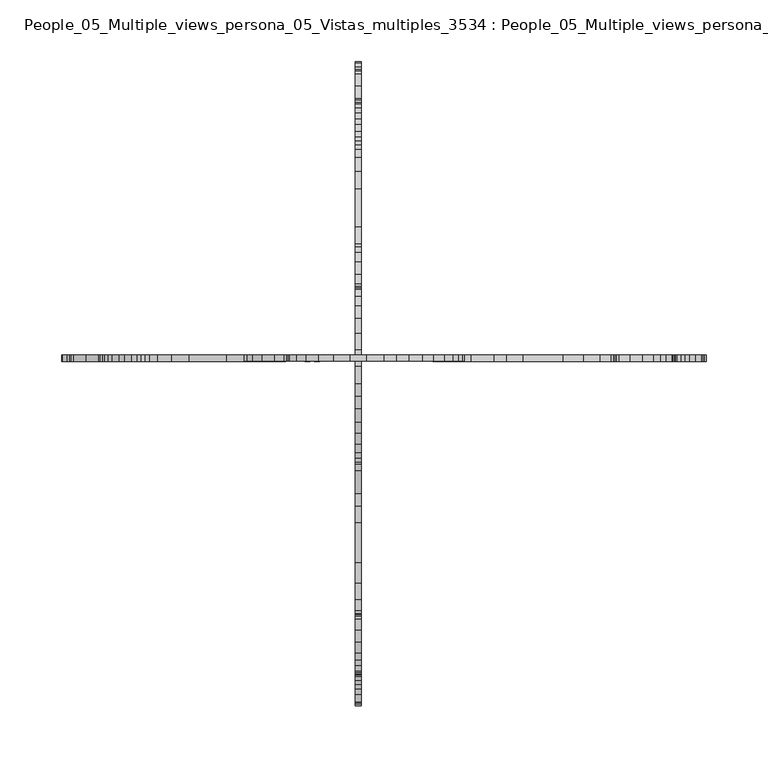
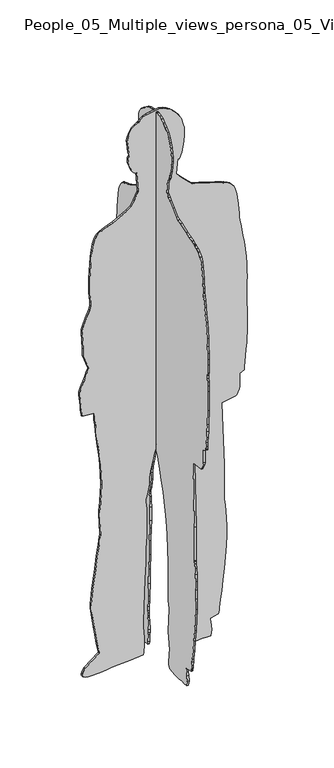
"""IFC4 building model written with IfcOpenShell, lengths in millimetres: proxy geometry, People_05_Multiple_views_persona_05_Vistas_multiples_3534 : People_05_Multiple_views_persona_05_Vistas_multiples_3534."""

import ifcopenshell
import ifcopenshell.guid

model = None  # the IFC model being written
_history = None  # IfcOwnerHistory: only IFC2X3 demands one
_inside = {}  # id of a spatial element -> (the spatial element, [elements in it])
_under = {}  # id of a project, library or spatial element -> (it, [spatial elements below it])
_declared = {}  # id of a project -> (the project, [libraries it declares])
_typed = {}  # id of a type object -> (the type object, [elements of that type])
_made_of = {}  # id of a material, layer set ... -> (it, [elements and type objects made of it])


def new_model(schema):
    """Start an empty IFC model of exactly this schema.

    Asked for "IFC4X3", IfcOpenShell would pick the latest addendum, in which some entities
    have other attributes; the version numbers below select the first issue.
    IFC2X3 requires an IfcOwnerHistory on every rooted entity: one is made here for all.
    """
    global model, _history
    if schema == "IFC4X3":
        model = ifcopenshell.file(schema_version=(4, 3, 0, 0))
    else:
        model = ifcopenshell.file(schema=schema)
    _inside.clear()
    _under.clear()
    _declared.clear()
    _typed.clear()
    _made_of.clear()
    _history = None
    if model.schema == "IFC2X3":
        org = make("IfcOrganization", Name="unknown")
        user = make(
            "IfcPersonAndOrganization",
            ThePerson=make("IfcPerson", FamilyName="unknown"),
            TheOrganization=org,
        )
        app = make(
            "IfcApplication",
            ApplicationDeveloper=org,
            Version="unknown",
            ApplicationFullName="unknown",
            ApplicationIdentifier="unknown",
        )
        _history = make(
            "IfcOwnerHistory",
            OwningUser=user,
            OwningApplication=app,
            ChangeAction="ADDED",
            CreationDate=0,
        )
    return model


def make(cls, **values):
    """One entity of the class cls with the attributes given. An attribute that is None is left unset."""
    return model.create_entity(
        cls, **{name: value for name, value in values.items() if value is not None}
    )


def rooted(cls, **values):
    """An entity with a GlobalId (a new one), such as an element, a storey or a relation."""
    return make(cls, GlobalId=ifcopenshell.guid.new(), OwnerHistory=_history, **values)


def si_unit(unit_type, name, prefix=None):
    """IfcSIUnit, for example si_unit("LENGTHUNIT", "METRE", prefix="MILLI")."""
    return make("IfcSIUnit", UnitType=unit_type, Prefix=prefix, Name=name)


def assignment(units):
    """IfcUnitAssignment: the units of a project."""
    return None if units is None else make("IfcUnitAssignment", Units=units)


def point(xyz):
    """IfcCartesianPoint."""
    return None if xyz is None else make("IfcCartesianPoint", Coordinates=xyz)


def direction(xyz):
    """IfcDirection."""
    return None if xyz is None else make("IfcDirection", DirectionRatios=xyz)


def frame(location, z_axis=None, x_axis=None):
    """IfcAxis2Placement3D, a coordinate frame: its origin and axes. An axis left out is left unset."""
    return make(
        "IfcAxis2Placement3D",
        Location=point(location),
        Axis=direction(z_axis),
        RefDirection=direction(x_axis),
    )


def origin():
    """The frame at (0, 0, 0) with its axes left unset."""
    return frame((0.0, 0.0, 0.0))


def place(relative_to, where):
    """IfcLocalPlacement: puts the frame where relative to a parent placement (None: the world)."""
    return make(
        "IfcLocalPlacement", PlacementRelTo=relative_to, RelativePlacement=where
    )


def context(
    kind, dimensions, precision=None, world=None, true_north=None, identifier=None
):
    """IfcGeometricRepresentationContext, for example the 3D "Model" context."""
    return make(
        "IfcGeometricRepresentationContext",
        ContextIdentifier=identifier,
        ContextType=kind,
        CoordinateSpaceDimension=dimensions,
        Precision=precision,
        WorldCoordinateSystem=world,
        TrueNorth=true_north,
    )


def project(units=None, contexts=None):
    """IfcProject with its units and contexts."""
    return rooted(
        "IfcProject",
        Name="project",
        RepresentationContexts=contexts,
        UnitsInContext=assignment(units),
    )


def spatial(cls, under=None, at=None, **own):
    """A site, building, storey or space (cls), placed at a placement, below another one or the project."""
    s = rooted(cls, ObjectPlacement=at, **own)
    if under is not None:
        _under.setdefault(under.id(), (under, []))[1].append(s)
    return s


def polyline(points):
    """IfcPolyline through the points."""
    return make("IfcPolyline", Points=[point(p) for p in points])


def outline(outer, holes=None, kind="AREA"):
    """IfcArbitraryClosedProfileDef: a profile drawn as a closed curve; with holes, ...WithVoids."""
    if holes is None:
        return make("IfcArbitraryClosedProfileDef", ProfileType=kind, OuterCurve=outer)
    return make(
        "IfcArbitraryProfileDefWithVoids",
        ProfileType=kind,
        OuterCurve=outer,
        InnerCurves=holes,
    )


def extrude(swept, where, along, depth):
    """IfcExtrudedAreaSolid: the profile swept, set in the frame where, extruded along a direction by depth."""
    return make(
        "IfcExtrudedAreaSolid",
        SweptArea=swept,
        Position=where,
        ExtrudedDirection=direction(along),
        Depth=depth,
    )


def shape(context_of_items, identifier, shape_type, items):
    """IfcShapeRepresentation: the items that make up one representation, for example the "Body"."""
    return make(
        "IfcShapeRepresentation",
        ContextOfItems=context_of_items,
        RepresentationIdentifier=identifier,
        RepresentationType=shape_type,
        Items=items,
    )


def source(mapping_origin, context_of_items, identifier, shape_type, items):
    """IfcRepresentationMap: a shape defined once, which mapped items show again and again."""
    return make(
        "IfcRepresentationMap",
        MappingOrigin=mapping_origin,
        MappedRepresentation=shape(context_of_items, identifier, shape_type, items),
    )


def transform(
    local_origin,
    x_axis=None,
    y_axis=None,
    z_axis=None,
    scale=None,
    scale2=None,
    scale3=None,
    uniform=True,
):
    """IfcCartesianTransformationOperator3D, or its non-uniform kind. x_axis, y_axis, z_axis: its Axis1, 2, 3."""
    if uniform:
        return make(
            "IfcCartesianTransformationOperator3D",
            Axis1=direction(x_axis),
            Axis2=direction(y_axis),
            LocalOrigin=point(local_origin),
            Scale=scale,
            Axis3=direction(z_axis),
        )
    return make(
        "IfcCartesianTransformationOperator3DnonUniform",
        Axis1=direction(x_axis),
        Axis2=direction(y_axis),
        LocalOrigin=point(local_origin),
        Scale=scale,
        Axis3=direction(z_axis),
        Scale2=scale2,
        Scale3=scale3,
    )


def mapped(mapping_source, mapping_target):
    """IfcMappedItem: shows the shape of a source again, moved by a transform."""
    return make(
        "IfcMappedItem", MappingSource=mapping_source, MappingTarget=mapping_target
    )


def made_of(thing, what):
    """Note that an element or type object is made of a material, layer set ...; save() writes the relation."""
    if what is not None:
        _made_of.setdefault(what.id(), (what, []))[1].append(thing)
    return thing


def element(
    cls,
    number,
    at=None,
    inside=None,
    cuts=None,
    type_object=None,
    material=None,
    context=None,
    identifier="Body",
    shape_type=None,
    held_by="IfcProductDefinitionShape",
    body=None,
    shapes=None,
    **own,
):
    """One element of the class cls, such as IfcWall. Its Tag is "e" and its number.

    at: its placement. inside: the storey or other place that contains it. cuts: it is an
    opening in that element (IfcRelVoidsElement). A single representation is given by context,
    identifier, shape_type and body (its items); several are given by shapes. held_by: the class
    of the entity that holds the representations. save() writes the other relations.
    """
    e = rooted(cls, Tag="e%d" % number, ObjectPlacement=at, **own)
    if body is not None:
        shapes = [shape(context, identifier, shape_type, body)]
    if shapes is not None:
        e.Representation = make(held_by, Representations=shapes)
    if inside is not None:
        _inside.setdefault(inside.id(), (inside, []))[1].append(e)
    if cuts is not None:
        rooted(
            "IfcRelVoidsElement", RelatingBuildingElement=cuts, RelatedOpeningElement=e
        )
    if type_object is not None:
        _typed.setdefault(type_object.id(), (type_object, []))[1].append(e)
    return made_of(e, material)


def aggregate(whole, parts):
    """IfcRelAggregates: a whole, such as a stair, and the parts it consists of."""
    return rooted("IfcRelAggregates", RelatingObject=whole, RelatedObjects=parts)


def save(model, path):
    """Write the relations noted so far, then the file.

    IfcRelAggregates (storeys below a building ...), IfcRelContainedInSpatialStructure (elements
    in a storey), IfcRelDefinesByType, IfcRelAssociatesMaterial and IfcRelDeclares: one each for
    every whole, place, type object, material and project.
    """
    for whole, parts in _under.values():
        aggregate(whole, parts)
    for where, things in _inside.values():
        rooted(
            "IfcRelContainedInSpatialStructure",
            RelatedElements=things,
            RelatingStructure=where,
        )
    for kind, things in _typed.values():
        rooted("IfcRelDefinesByType", RelatedObjects=things, RelatingType=kind)
    for what, things in _made_of.values():
        rooted("IfcRelAssociatesMaterial", RelatedObjects=things, RelatingMaterial=what)
    for by, libraries in _declared.values():
        rooted("IfcRelDeclares", RelatingContext=by, RelatedDefinitions=libraries)
    model.write(path)


def people_05_multiple_views_persona_05_vistas_multiples_3534_98fe2703(model_context):
    return source(origin(), model_context, "Body", "SweptSolid", [
        extrude(outline(polyline([(1488.5334336, -107.0451289), (1472.9226856, -137.1515713), (1466.2323651, -151.6472659), (1461.7721514, -162.7978001), (1458.4269911, -169.4881207), (1457.3119377, -172.833281), (1457.3119377, -176.1784412), (1455.0818308, -179.5236015), (1451.7366705, -183.9838152), (1445.04635, -189.5590823), (1435.0108691, -194.019296), (1421.630228, -199.5945632), (1402.6743198, -202.9397235), (1381.4883047, -206.2848837), (1358.0721828, -207.3999372), (1309.0098321, -209.630044), (1265.5227485, -209.630044), (1247.6818936, -208.5149906), (1234.3012525, -207.3999372), (1222.0356649, -207.3999372), (1208.6550237, -210.7450974), (1184.1238484, -220.7805783), (1160.7077264, -230.8160591), (1150.6722456, -233.0461659), (1141.7518182, -234.1612194), (1112.7604291, -231.9311125), (1088.2292538, -230.8160591), (1064.8131319, -230.8160591), (1016.8658346, -212.9752043), (1014.6357277, -214.0902577), (1006.8303537, -217.435418), (996.7948729, -221.8956317), (984.5292852, -226.3558454), (961.1131633, -236.3913262), (952.1927359, -239.7364865), (947.7325222, -240.8515399), (937.6970413, -240.8515399), (925.4314537, -239.7364865), (898.6701714, -237.5063796), (886.4045838, -236.3913262), (875.2540495, -235.2762728), (868.5637289, -234.1612194), (866.3336221, -234.1612194), (862.9884618, -195.1343495), (859.6433015, -195.1343495), (851.8379276, -194.019296), (838.4572865, -194.019296), (820.6164316, -191.7891892), (799.4304166, -190.6741358), (773.7841878, -187.3289755), (747.0229056, -183.9838152), (716.9164631, -179.5236015), (684.5799137, -175.0633878), (651.128311, -173.9483344), (619.906815, -172.833281), (589.8003726, -173.9483344), (564.1541438, -176.1784412), (542.9681287, -177.2934947), (535.1627547, -178.4085481), (529.5874876, -178.4085481), (526.2423273, -179.5236015), (525.1272739, -179.5236015), (455.9939615, -176.1784412), (453.7638546, -176.1784412), (447.0735341, -177.2934947), (435.9229998, -179.5236015), (421.4273053, -180.6386549), (404.7015039, -183.9838152), (385.7455957, -186.2139221), (344.4886189, -191.7891892), (302.1165888, -197.3644563), (282.0456271, -200.7096166), (264.2047723, -202.9397235), (248.5940243, -204.0547769), (236.3284367, -205.1698303), (227.4080092, -206.2848837), (221.8327421, -206.2848837), (187.2660859, -200.7096166), (156.04459, -196.2494029), (129.2833078, -191.7891892), (106.9822393, -188.4440289), (89.1413845, -185.0988686), (76.8757968, -182.8687618), (67.9553694, -180.6386549), (65.7252625, -180.6386549), (31.1586063, -224.1257385), (30.0435529, -225.240792), (26.6983926, -227.4708988), (17.7779652, -231.9311125), (13.3177515, -234.1612194), (7.7424844, -233.0461659), (4.3973241, -230.8160591), (1.0521639, -224.1257385), (-1.177943, -214.0902577), (-1.177943, -200.7096166), (1.0521639, -170.6031741), (2.1672173, -156.1074796), (4.3973241, -144.9569453), (5.5123776, -137.1515713), (5.5123776, -133.8064111), (7.8719187, -83.4269047), (12.1112767, -43.4302671), (20.4181484, -41.8145035), (44.5392475, -40.1419233), (52.3446214, -39.0268699), (62.3801023, -39.0268699), (90.2564379, -41.2569767), (100.2919187, -42.3720302), (103.637079, -43.4870836), (104.7521324, -43.4870836), (113.6725598, -43.4870836), (122.5929872, -42.3720302), (135.9736283, -42.3720302), (152.6994297, -41.2569767), (170.5402845, -41.2569767), (214.0273681, -39.0268699), (261.9746654, -37.9118165), (311.0370162, -35.6817096), (358.9843135, -34.5666562), (401.3563436, -32.3365493), (427.0025724, -31.2214959), (471.6047094, -31.2214959), (489.4455643, -32.3365493), (503.9412588, -33.4516028), (513.9767396, -34.5666562), (520.6670602, -35.6817096), (522.897167, -35.6817096), (524.0122204, -35.6817096), (527.3573807, -33.4516028), (538.507915, -30.1064425), (553.0036095, -26.7612822), (568.6143575, -24.5311754), (589.8003726, -23.4161219), (610.9863876, -21.1860151), (631.0573493, -16.7258014), (650.0132575, -12.2655877), (665.6240055, -7.805374), (679.0046466, -3.3451603), (686.8100206, -1.1150534), (690.1551809, 0.0), (689.0401274, 0.0), (685.6949672, 2.2301069), (681.2347535, 3.3451603), (674.5444329, 6.6903206), (665.6240055, 10.0354808), (655.5885247, 13.3806411), (629.9422959, 22.3010685), (598.7208, 31.2214959), (564.1541438, 40.1419233), (524.0122204, 49.0623507), (481.6401903, 56.8677247), (437.0380533, 61.3279384), (391.3208628, 64.6730987), (347.8337792, 66.9032055), (307.6918559, 68.018259), (246.3639175, 68.018259), (236.3284367, 66.9032055), (221.8327421, 66.9032055), (198.4166202, 72.4784727), (122.5929872, 68.018259), (64.6102091, 75.8236329), (62.3801023, 75.8236329), (57.9198886, 74.7085795), (43.424194, 72.4784727), (26.6983926, 70.2483658), (20.0080721, 70.2483658), (14.432805, 71.3634192), (3.2822707, 76.9386864), (0.6059749, 89.2896236), (0.6059749, 104.4397106), (0.0, 118.9851345), (0.0, 128.0754781), (2.4222553, 141.407205), (1.2111277, 154.1342688), (1.8171026, 167.4659957), (18.7720678, 171.708836), (35.61882, 169.4881207), (47.8844077, 168.3730673), (55.6897817, 167.2580138), (59.034942, 166.1429604), (64.6102091, 191.7891892), (65.7252625, 191.7891892), (70.1854762, 192.9042426), (76.8757968, 194.019296), (85.7962242, 195.1343495), (96.9467585, 196.2494029), (109.2123461, 198.4795098), (138.2037352, 202.9397235), (172.7703914, 206.2848837), (209.5671544, 210.7450974), (283.1606805, 216.3203646), (317.7273367, 217.435418), (347.8337792, 217.435418), (374.5950614, 216.3203646), (398.0111834, 215.2053111), (415.8520382, 212.9752043), (430.3477327, 211.8601509), (438.1531067, 209.630044), (441.498267, 209.630044), (551.0408894, 209.5578271), (759.2884932, 202.2465041), (765.9788138, 246.4268071), (767.0938672, 246.4268071), (769.3239741, 248.6569139), (776.0142946, 252.0020742), (784.934722, 256.4622879), (793.8551494, 258.6923947), (836.2271796, 258.6923947), (842.9175002, 272.0730358), (846.2626604, 272.0730358), (855.1830878, 273.1880893), (869.6787824, 274.3031427), (887.5196372, 276.5332495), (908.7056523, 277.648303), (932.1217742, 279.8784098), (980.0690715, 282.1085167), (1043.6271168, 282.1085167), (1060.3529181, 280.9934632), (1073.7335593, 280.9934632), (1084.8840935, 279.8784098), (1093.8045209, 279.8784098), (1096.0346278, 279.8784098), (1103.8400017, 280.9934632), (1129.4862305, 280.9934632), (1148.4421388, 282.1085167), (1168.5131004, 280.9934632), (1190.8141689, 279.8784098), (1215.3453443, 278.7633564), (1265.5227485, 273.1880893), (1288.9388704, 268.7278756), (1310.1248855, 265.3827153), (1329.0807937, 262.037555), (1343.5764882, 258.6923947), (1352.4969156, 257.5773413), (1354.7270225, 256.4622879), (1355.8420759, 256.4622879), (1368.1076636, 256.4622879), (1381.4883047, 255.3472345), (1398.2141061, 254.232181), (1432.7807623, 249.7719673), (1448.3915102, 245.3117536), (1461.7721514, 239.7364865), (1472.9226856, 230.8160591), (1478.4979527, 220.7805783), (1481.843113, 211.8601509), (1482.9581664, 209.630044), (1482.9581664, 208.5149906), (1482.9581664, 207.3999372), (1484.0732199, 205.1698303), (1487.4183801, 196.2494029), (1491.8785938, 182.8687618), (1497.453861, 166.1429604), (1507.4893418, 133.8064111), (1511.9495555, 120.42577), (1515.2947158, 110.3902891), (1533.1355706, 91.4343809), (1548.7463185, 75.8236329), (1555.4366391, 69.1333124), (1559.8968528, 64.6730987), (1563.2420131, 61.3279384), (1564.3570665, 60.212885), (1612.3043638, 64.6730987), (1612.3043638, 69.1333124), (1617.8796309, 72.4784727), (1622.3398446, 74.7085795), (1630.1452186, 76.9386864), (1646.87102, 80.2838466), (1664.7118748, 83.6290069), (1683.667783, 85.8591138), (1695.9333707, 85.8591138), (1709.3140118, 84.7440603), (1724.9247598, 81.3989001), (1739.4204543, 76.9386864), (1752.8010954, 70.2483658), (1765.0666831, 61.3279384), (1775.1021639, 52.407511), (1784.0225913, 41.2569767), (1790.7129119, 31.2214959), (1795.1731256, 21.1860151), (1798.5182859, 6.6903206), (1797.4032325, -6.6903206), (1795.1731256, -20.0709617), (1792.9430187, -32.3365493), (1788.482805, -42.3720302), (1782.9075379, -50.1774042), (1777.3322708, -55.7526713), (1775.1021639, -56.8677247), (1775.1021639, -57.9827781), (1773.9871105, -60.212885), (1769.5268968, -68.018259), (1761.7215228, -78.0537398), (1749.4559352, -85.8591138), (1737.1903475, -90.3193275), (1726.0398132, -92.5494343), (1714.889279, -91.4343809), (1702.6236913, -90.3193275), (1683.667783, -88.0892206), (1676.9774625, -85.8591138), (1674.7473556, -85.8591138), (1672.5172488, -86.9741672), (1668.0570351, -89.204274), (1660.2516611, -90.3193275), (1651.3312337, -89.204274), (1641.2957529, -85.8591138), (1633.4903789, -83.6290069), (1620.1097378, -76.9386864), (1615.6495241, -72.4784727), (1612.3043638, -68.018259), (1612.3043638, -63.5580453), (1548.7463185, -59.0978316), (1547.6312651, -59.0978316), (1545.4011583, -60.212885), (1535.3656774, -64.6730987), (1521.9850363, -71.3634192), (1505.259235, -80.2838466), (1496.3388075, -92.5494343), (1488.5334336, -107.0451289)])), frame((0.0, -2.5, 0.0), z_axis=(0.0, 1.0, 0.0), x_axis=(0.0, 0.0, 1.0)), (0.0, 0.0, 1.0), 5.0),
        extrude(outline(polyline([(107.0451289, 1481.8412854), (137.1515713, 1466.2305375), (151.6472659, 1459.5402169), (162.7978001, 1455.0800032), (169.4881207, 1451.7348429), (172.833281, 1450.6197895), (176.1784412, 1450.6197895), (179.5236015, 1448.3896827), (183.9838152, 1445.0445224), (189.5590823, 1438.3542018), (194.019296, 1428.318721), (199.5945632, 1414.9380799), (202.9397235, 1395.9821717), (206.2848837, 1374.7961566), (207.3999372, 1351.3800346), (209.630044, 1302.3176839), (209.630044, 1258.8306003), (208.5149906, 1240.9897455), (207.3999372, 1227.6091044), (207.3999372, 1215.3435167), (210.7450974, 1201.9628756), (220.7805783, 1177.4317002), (230.8160591, 1154.0155783), (233.0461659, 1143.9800975), (234.1612194, 1135.0596701), (231.9311125, 1106.068281), (230.8160591, 1081.5371056), (230.8160591, 1058.1209837), (212.9752043, 1010.1736864), (214.0902577, 1007.9435796), (217.435418, 1000.1382056), (221.8956317, 990.1027247), (226.3558454, 977.8371371), (236.3913262, 954.4210151), (239.7364865, 945.5005877), (240.8515399, 941.040374), (240.8515399, 931.0048932), (239.7364865, 918.7393055), (237.5063796, 891.9780233), (236.3913262, 879.7124356), (235.2762728, 868.5619014), (234.1612194, 861.8715808), (234.1612194, 859.641474), (195.1343495, 856.2963137), (195.1343495, 852.9511534), (194.019296, 845.1457794), (194.019296, 831.7651383), (191.7891892, 813.9242835), (190.6741358, 792.7382684), (187.3289755, 767.0920396), (183.9838152, 740.3307574), (179.5236015, 710.2243149), (175.0633878, 677.8877656), (173.9483344, 644.4361628), (172.833281, 613.2146669), (173.9483344, 583.1082244), (176.1784412, 557.4619956), (177.2934947, 536.2759805), (178.4085481, 528.4706066), (178.4085481, 522.8953394), (179.5236015, 519.5501792), (179.5236015, 518.4351257), (176.1784412, 449.3018133), (176.1784412, 447.0717065), (177.2934947, 440.3813859), (179.5236015, 429.2308517), (180.6386549, 414.7351571), (183.9838152, 398.0093558), (186.2139221, 379.0534475), (191.7891892, 337.7964708), (197.3644563, 295.4244406), (200.7096166, 275.353479), (202.9397235, 257.5126241), (204.0547769, 241.9018762), (205.1698303, 229.6362885), (206.2848837, 220.7158611), (206.2848837, 215.140594), (200.7096166, 180.5739378), (196.2494029, 149.3524419), (191.7891892, 122.5911596), (188.4440289, 100.2900911), (185.0988686, 82.4492363), (182.8687618, 70.1836486), (180.6386549, 61.2632212), (180.6386549, 59.0331144), (224.1257385, 24.4664582), (225.240792, 23.3514048), (227.4708988, 20.0062445), (231.9311125, 11.0858171), (234.1612194, 6.6256034), (233.0461659, 1.0503363), (230.8160591, -2.294824), (224.1257385, -5.6399843), (214.0902577, -7.8700911), (200.7096166, -7.8700911), (170.6031741, -5.6399843), (156.1074796, -4.5249309), (144.9569453, -2.294824), (137.1515713, -1.1797706), (133.8064111, -1.1797706), (83.4269047, 1.1797706), (43.4302671, 5.4191285), (41.8145035, 13.7260003), (40.1419233, 37.8470993), (39.0268699, 45.6524733), (39.0268699, 55.6879541), (41.2569767, 83.5642898), (42.3720302, 93.5997706), (43.4870836, 96.9449309), (43.4870836, 98.0599843), (43.4870836, 106.9804117), (42.3720302, 115.9008391), (42.3720302, 129.2814802), (41.2569767, 146.0072816), (41.2569767, 163.8481364), (39.0268699, 207.33522), (37.9118165, 255.2825173), (35.6817096, 304.344868), (34.5666562, 352.2921653), (32.3365493, 394.6641955), (31.2214959, 420.3104243), (31.2214959, 464.9125613), (32.3365493, 482.7534161), (33.4516028, 497.2491106), (34.5666562, 507.2845915), (35.6817096, 513.974912), (35.6817096, 516.2050189), (35.6817096, 517.3200723), (33.4516028, 520.6652326), (30.1064425, 531.8157668), (26.7612822, 546.3114614), (24.5311754, 561.9222093), (23.4161219, 583.1082244), (21.1860151, 604.2942395), (16.7258014, 624.3652012), (12.2655877, 643.3211094), (7.805374, 658.9318573), (3.3451603, 672.3124985), (1.1150534, 680.1178724), (0.0, 683.4630327), (0.0, 682.3479793), (-2.2301069, 679.002819), (-3.3451603, 674.5426053), (-6.6903206, 667.8522848), (-10.0354808, 658.9318573), (-13.3806411, 648.8963765), (-22.3010685, 623.2501477), (-31.2214959, 592.0286518), (-40.1419233, 557.4619956), (-49.0623507, 517.3200723), (-56.8677247, 474.9480421), (-61.3279384, 430.3459051), (-64.6730987, 384.6287147), (-66.9032055, 341.1416311), (-68.018259, 300.9997077), (-68.018259, 239.6717693), (-66.9032055, 229.6362885), (-66.9032055, 215.140594), (-72.4784727, 191.724472), (-68.018259, 115.9008391), (-75.8236329, 57.918061), (-75.8236329, 55.6879541), (-74.7085795, 51.2277404), (-72.4784727, 36.7320459), (-70.2483658, 20.0062445), (-70.2483658, 13.3159239), (-71.3634192, 7.7406568), (-76.9386864, -3.4098774), (-89.2896236, -6.0861732), (-104.4397106, -6.0861732), (-118.9851345, -6.6921481), (-128.0754781, -6.6921481), (-141.407205, -4.2698928), (-154.1342688, -5.4810205), (-167.4659957, -4.8750455), (-171.708836, 12.0799196), (-169.4881207, 28.9266719), (-168.3730673, 41.1922596), (-167.2580138, 48.9976336), (-166.1429604, 52.3427938), (-191.7891892, 57.918061), (-191.7891892, 59.0331144), (-192.9042426, 63.4933281), (-194.019296, 70.1836486), (-195.1343495, 79.1040761), (-196.2494029, 90.2546103), (-198.4795098, 102.520198), (-202.9397235, 131.5115871), (-206.2848837, 166.0782432), (-210.7450974, 202.8750063), (-216.3203646, 276.4685324), (-217.435418, 311.0351886), (-217.435418, 341.1416311), (-216.3203646, 367.9029133), (-215.2053111, 391.3190352), (-212.9752043, 409.15989), (-211.8601509, 423.6555846), (-209.630044, 431.4609585), (-209.630044, 434.8061188), (-209.5578271, 544.3487412), (-202.2465041, 752.5963451), (-246.4268071, 759.2866656), (-246.4268071, 760.4017191), (-248.6569139, 762.6318259), (-252.0020742, 769.3221465), (-256.4622879, 778.2425739), (-258.6923947, 787.1630013), (-258.6923947, 829.5350315), (-272.0730358, 836.225352), (-272.0730358, 839.5705123), (-273.1880893, 848.4909397), (-274.3031427, 862.9866342), (-276.5332495, 880.827489), (-277.648303, 902.0135041), (-279.8784098, 925.4296261), (-282.1085167, 973.3769234), (-282.1085167, 1036.9349686), (-280.9934632, 1053.66077), (-280.9934632, 1067.0414111), (-279.8784098, 1078.1919454), (-279.8784098, 1087.1123728), (-279.8784098, 1089.3424796), (-280.9934632, 1097.1478536), (-280.9934632, 1122.7940824), (-282.1085167, 1141.7499906), (-280.9934632, 1161.8209523), (-279.8784098, 1184.1220208), (-278.7633564, 1208.6531962), (-273.1880893, 1258.8306003), (-268.7278756, 1282.2467222), (-265.3827153, 1303.4327373), (-262.037555, 1322.3886456), (-258.6923947, 1336.8843401), (-257.5773413, 1345.8047675), (-256.4622879, 1348.0348744), (-256.4622879, 1349.1499278), (-256.4622879, 1361.4155155), (-255.3472345, 1374.7961566), (-254.232181, 1391.5219579), (-249.7719673, 1426.0886141), (-245.3117536, 1441.6993621), (-239.7364865, 1455.0800032), (-230.8160591, 1466.2305375), (-220.7805783, 1471.8058046), (-211.8601509, 1475.1509649), (-209.630044, 1476.2660183), (-208.5149906, 1476.2660183), (-207.3999372, 1476.2660183), (-205.1698303, 1477.3810717), (-196.2494029, 1480.726232), (-182.8687618, 1485.1864457), (-166.1429604, 1490.7617128), (-133.8064111, 1500.7971937), (-120.42577, 1505.2574074), (-110.3902891, 1508.6025676), (-91.4343809, 1526.4434224), (-75.8236329, 1542.0541704), (-69.1333124, 1548.744491), (-64.6730987, 1553.2047047), (-61.3279384, 1556.5498649), (-60.212885, 1557.6649184), (-64.6730987, 1605.6122157), (-69.1333124, 1605.6122157), (-72.4784727, 1611.1874828), (-74.7085795, 1615.6476965), (-76.9386864, 1623.4530705), (-80.2838466, 1640.1788719), (-83.6290069, 1658.0197267), (-85.8591138, 1676.9756349), (-85.8591138, 1689.2412226), (-84.7440603, 1702.6218637), (-81.3989001, 1718.2326116), (-76.9386864, 1732.7283062), (-70.2483658, 1746.1089473), (-61.3279384, 1758.374535), (-52.407511, 1768.4100158), (-41.2569767, 1777.3304432), (-31.2214959, 1784.0207637), (-21.1860151, 1788.4809775), (-6.6903206, 1791.8261377), (6.6903206, 1790.7110843), (20.0709617, 1788.4809775), (32.3365493, 1786.2508706), (42.3720302, 1781.7906569), (50.1774042, 1776.2153898), (55.7526713, 1770.6401226), (56.8677247, 1768.4100158), (57.9827781, 1768.4100158), (60.212885, 1767.2949624), (68.018259, 1762.8347487), (78.0537398, 1755.0293747), (85.8591138, 1742.763787), (90.3193275, 1730.4981993), (92.5494343, 1719.3476651), (91.4343809, 1708.1971308), (90.3193275, 1695.9315431), (88.0892206, 1676.9756349), (85.8591138, 1670.2853143), (85.8591138, 1668.0552075), (86.9741672, 1665.8251006), (89.204274, 1661.3648869), (90.3193275, 1653.559513), (89.204274, 1644.6390856), (85.8591138, 1634.6036047), (83.6290069, 1626.7982307), (76.9386864, 1613.4175896), (72.4784727, 1608.9573759), (68.018259, 1605.6122157), (63.5580453, 1605.6122157), (59.0978316, 1542.0541704), (59.0978316, 1540.939117), (60.212885, 1538.7090101), (64.6730987, 1528.6735293), (71.3634192, 1515.2928882), (80.2838466, 1498.5670868), (92.5494343, 1489.6466594), (107.0451289, 1481.8412854)])), frame((-2.5, 0.0, 0.0), z_axis=(1.0, 0.0, 0.0), x_axis=(0.0, 1.0, 0.0)), (0.0, 0.0, 1.0), 5.0),
    ])


if __name__ == "__main__":
    model = new_model("IFC4")
    model_context = context("Model", 3, world=origin())
    ifc_project = project(units=[si_unit("LENGTHUNIT", "METRE", prefix="MILLI")], contexts=[model_context])
    site = spatial("IfcSite", under=ifc_project)
    building = spatial("IfcBuilding", under=site)
    placement = place(None, origin())
    people_05_multiple_views_persona_05_vistas_multiples_3534_shape = people_05_multiple_views_persona_05_vistas_multiples_3534_98fe2703(model_context)
    element("IfcBuildingElementProxy", 1, Name="People_05_Multiple_views_persona_05_Vistas_multiples_3534 : People_05_Multiple_views_persona_05_Vistas_multiples_3534", ObjectType="People_05_Multiple_views_persona_05_Vistas_multiples_3534 : People_05_Multiple_views_persona_05_Vistas_multiples_3534", at=placement, inside=building, context=model_context, shape_type="MappedRepresentation", body=[
        mapped(people_05_multiple_views_persona_05_vistas_multiples_3534_shape, transform((0.0, 0.0, 0.0), x_axis=(1.0, 0.0, 0.0), y_axis=(0.0, 1.0, 0.0), z_axis=(0.0, 0.0, 1.0))),
    ])
    save(model, "model.ifc")
